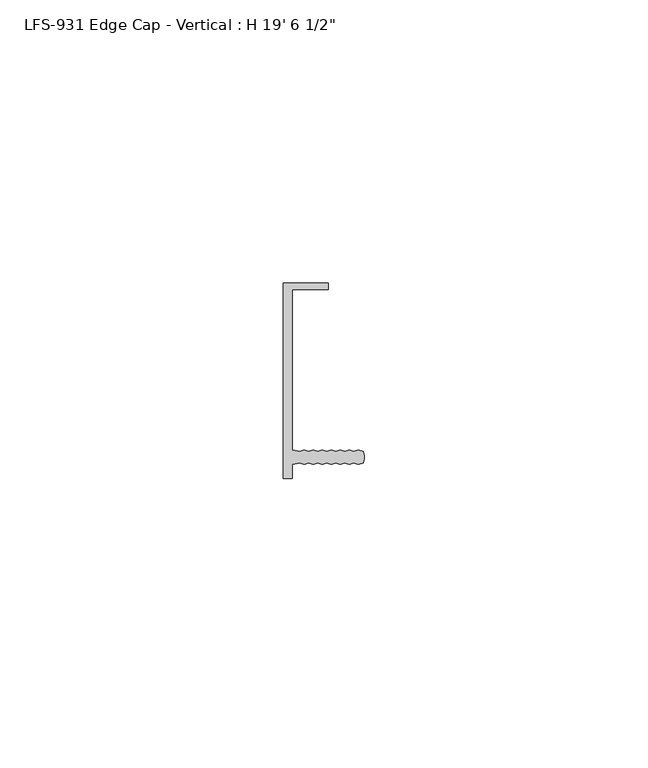
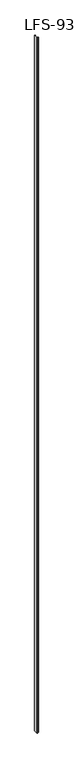
"""IFC4 building model written with IfcOpenShell, lengths in millimetres: proxy geometry."""

from ifc_helpers import new_model, si_unit, point, frame_2d, origin, origin_with_axes, place, context, project, spatial, polyline, circle_curve, trimmed, segment, composite_curve, outline, extrude, source, transform, mapped, element, save


def proxy_8ed93b60(model_context):
    return source(origin(), model_context, "Body", "SweptSolid", [
        extrude(outline(composite_curve([segment(polyline([(6.9755505, -14.5053844), (6.1594734, -14.7594051), (5.3777354, -14.5054249), (4.5616583, -14.7594456), (3.7799202, -14.5054654), (2.9638431, -14.7594861), (2.1821051, -14.5055059), (1.366028, -14.7595266), (0.5842899, -14.5055464), (-0.2317872, -14.759567), (-1.0135252, -14.5055869), (-1.8296023, -14.7596075), (-2.6113404, -14.5056273), (-3.4274175, -14.759648), (-4.2091555, -14.5056678), (-5.470443, -14.7596998), (-5.470381, -17.2096037), (-7.057881, -17.2096439), (-7.0587531, 17.2124361), (0.8787469, 17.2126372), (0.8787744, 16.1280572), (-5.4712256, 16.1278963), (-5.4705074, -12.2196998), (-4.209207, -12.4736678), (-3.4274818, -12.219648), (-2.6113918, -12.4736273), (-1.8296667, -12.2196075), (-1.0135767, -12.4735869), (-0.2318515, -12.219567), (0.5842384, -12.4735464), (1.3659636, -12.2195266), (2.1820536, -12.4735059), (2.9637788, -12.2194861), (3.7798687, -12.4734654), (4.5615939, -12.2194456), (5.3776839, -12.4734249), (6.1594091, -12.2194051), (6.975499, -12.4733844)]), True, "CONTINUOUS"), segment(trimmed(circle_curve(frame_2d((5.0970263, -13.489432)), 2.1356527), [point((6.975499, -12.4733844))], [point((6.9755505, -14.5053844))], False, "CARTESIAN"), True, "CONTINUOUS")], self_intersect=False)), origin_with_axes(), (0.0, 0.0, 1.0), 5956.3),
    ])


if __name__ == "__main__":
    model = new_model("IFC4")
    model_context = context("Model", 3, world=origin())
    ifc_project = project(units=[si_unit("LENGTHUNIT", "METRE", prefix="MILLI")], contexts=[model_context])
    site = spatial("IfcSite", under=ifc_project)
    building = spatial("IfcBuilding", under=site)
    placement = place(None, origin())
    proxy_shape = proxy_8ed93b60(model_context)
    element("IfcBuildingElementProxy", 1, Name="LFS-931 Edge Cap - Vertical : H 19' 6 1/2\"", ObjectType="LFS-931 Edge Cap - Vertical : H 19' 6 1/2\"", at=placement, inside=building, context=model_context, shape_type="MappedRepresentation", body=[
        mapped(proxy_shape, transform((0.0, 0.0, 0.0), x_axis=(1.0, 0.0, 0.0), y_axis=(0.0, 1.0, 0.0), z_axis=(0.0, 0.0, 1.0))),
    ])
    save(model, "model.ifc")
